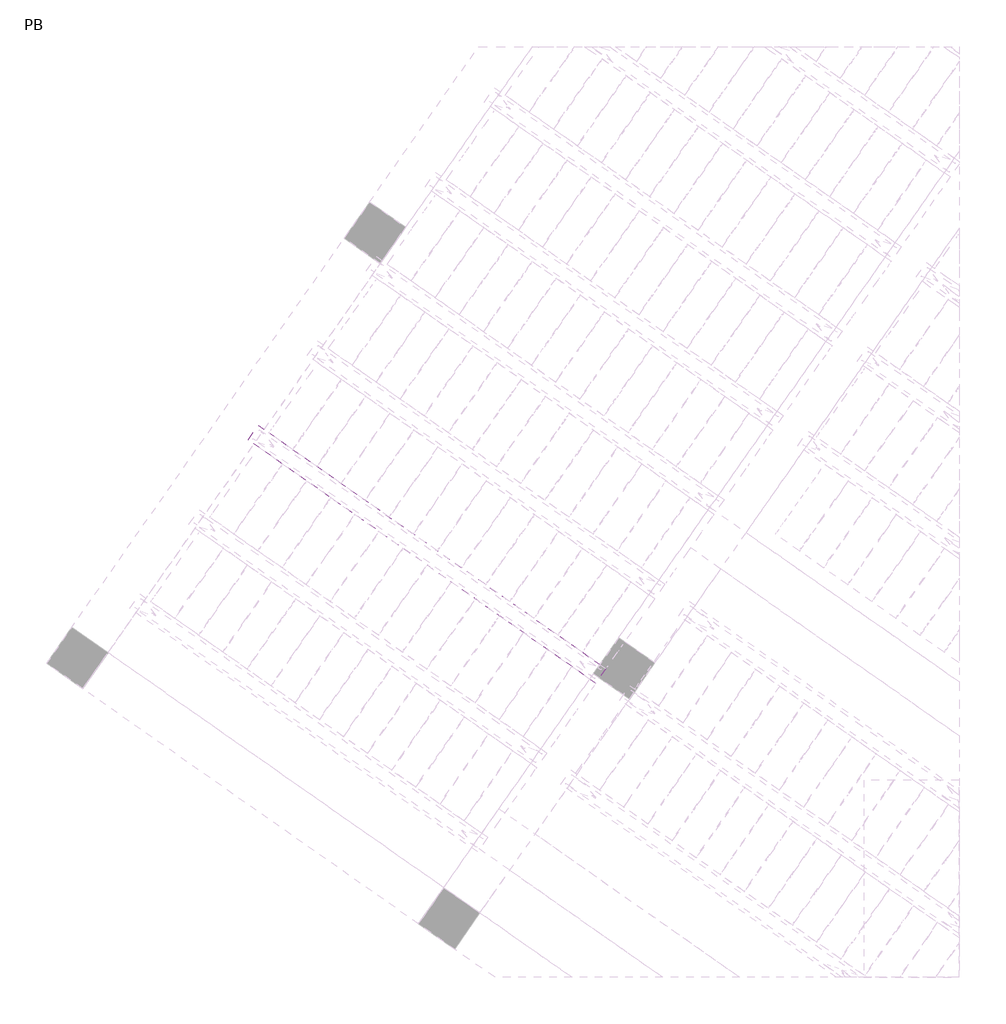
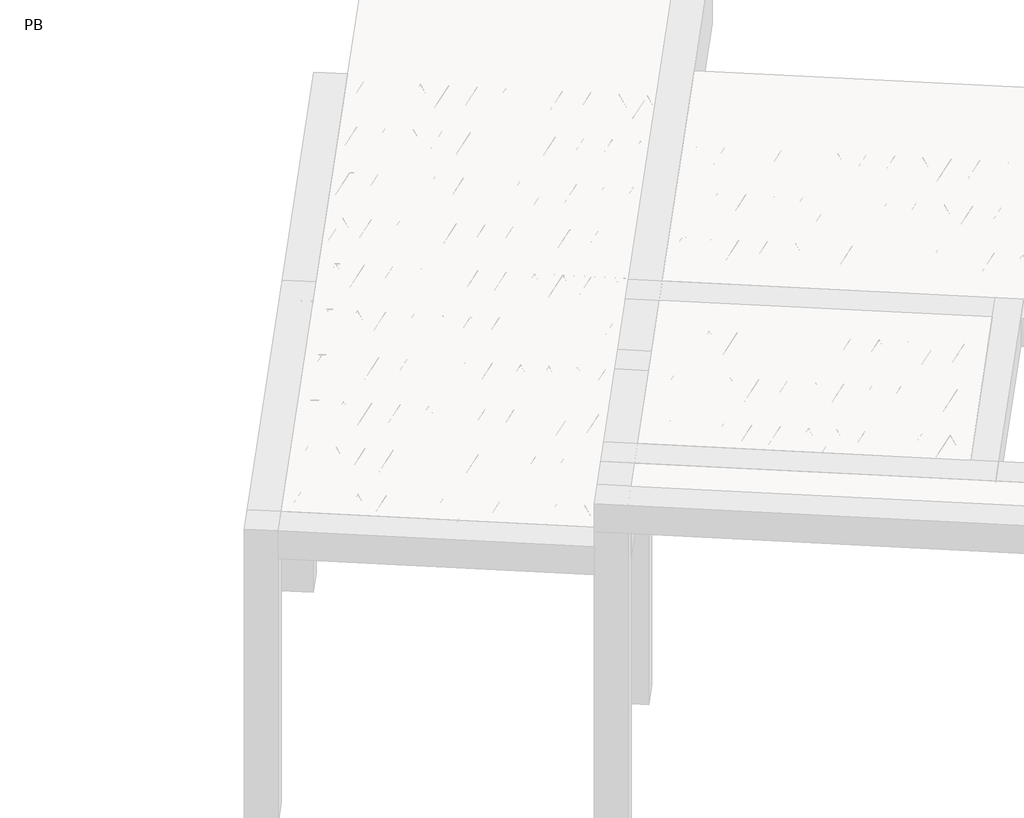
# One storey, part 16 of 56: 2 beams.
"""IFC4 building model written with IfcOpenShell, lengths in millimetres."""

from ifc_helpers import new_model, si_unit, point, frame, origin, origin_2d, place, context, project, spatial, polyline, circle_curve, trimmed, segment, composite_curve, outline, extrude, element, save

model = new_model("IFC4")

# Units and contexts
model_context = context("Model", 3, world=origin())
ifc_project = project(units=[si_unit("LENGTHUNIT", "METRE", prefix="MILLI")], contexts=[model_context])

# Site, building, storey
site = spatial("IfcSite", under=ifc_project)
building = spatial("IfcBuilding", under=site)
storey = spatial("IfcBuildingStorey", under=building, Name="PB", Elevation=95940.0)

# Beams
placement = place(None, origin())
element("IfcBeam", 1, at=placement, inside=storey, context=model_context, shape_type="SweptSolid", body=[
    extrude(outline(polyline([(-411.6127131, 3816.5973913), (-342.7835407, 3914.8956366), (2020.2315773, 2260.294638), (1951.4024049, 2161.9963926), (-411.6127131, 3816.5973913)])), frame((0.0, 0.0, 98760.0), z_axis=(0.0, 0.0, 1.0), x_axis=(1.0, 0.0, 0.0)), (0.0, 0.0, 1.0), 50.0),
    extrude(outline(composite_curve([segment(trimmed(circle_curve(origin_2d(), 2.5), [point((-2.4999999, 0.0))], [point((2.5, 0.0))], False, "CARTESIAN"), True, "CONTINUOUS"), segment(trimmed(circle_curve(origin_2d(), 2.5), [point((2.5, 0.0))], [point((-2.4999999, 0.0))], False, "CARTESIAN"), True, "CONTINUOUS")], self_intersect=False)), frame((1945.5085903, 2195.4218762, 98785.0), z_axis=(-0.8191520442696126, 0.5735764363787226, 0.0), x_axis=(0.5735764363787226, 0.8191520442696126, 0.0)), (0.0, 0.0, 1.0), 2836.708809),
    extrude(outline(composite_curve([segment(trimmed(circle_curve(origin_2d(), 2.5), [point((-2.5, 0.0))], [point((2.5, 0.0))], False, "CARTESIAN"), True, "CONTINUOUS"), segment(trimmed(circle_curve(origin_2d(), 2.5), [point((2.5, 0.0))], [point((-2.5, 0.0))], False, "CARTESIAN"), True, "CONTINUOUS")], self_intersect=False)), frame((1869.2070896, 2292.7966474, 99010.0), z_axis=(-0.8191520442696126, 0.5735764363787226, 0.0), x_axis=(0.5735764363787226, 0.8191520442696126, 0.0)), (0.0, 0.0, 1.0), 2600.0),
    extrude(outline(composite_curve([segment(trimmed(circle_curve(origin_2d(), 2.5), [point((-2.5, 0.0))], [point((2.5, 0.0))], False, "CARTESIAN"), True, "CONTINUOUS"), segment(trimmed(circle_curve(origin_2d(), 2.5), [point((2.5, 0.0))], [point((-2.5, 0.0))], False, "CARTESIAN"), True, "CONTINUOUS")], self_intersect=False)), frame((1909.9947412, 2220.2889411, 98785.0), z_axis=(-0.3145304735701046, 0.38933448886848654, 0.8657304643902053), x_axis=(0.7778747638402499, 0.6284193279813057, 0.0)), (0.0, 0.0, 1.0), 259.8961331),
    extrude(outline(composite_curve([segment(trimmed(circle_curve(origin_2d(), 2.5), [point((2.5, 0.0))], [point((-2.5, 0.0))], False, "CARTESIAN"), True, "CONTINUOUS"), segment(trimmed(circle_curve(origin_2d(), 2.5), [point((-2.5, 0.0))], [point((2.5, 0.0))], False, "CARTESIAN"), True, "CONTINUOUS")], self_intersect=False)), frame((1705.2067301, 2363.6830502, 98785.0), z_axis=(0.47343050384693375, -0.16240172737369005, 0.8657304643902051), x_axis=(-0.3244721671091268, -0.9458952440791246, 0.0)), (0.0, 0.0, 1.0), 259.8961331),
    extrude(outline(composite_curve([segment(trimmed(circle_curve(origin_2d(), 2.5), [point((-2.5, -1e-07))], [point((2.5, 0.0))], False, "CARTESIAN"), True, "CONTINUOUS"), segment(trimmed(circle_curve(origin_2d(), 2.5), [point((2.5, 0.0))], [point((-2.5, -1e-07))], False, "CARTESIAN"), True, "CONTINUOUS")], self_intersect=False)), frame((1705.2067301, 2363.6830502, 98785.0), z_axis=(-0.3145304735701046, 0.38933448886848654, 0.8657304643902053), x_axis=(0.7778747638402499, 0.6284193279813057, 0.0)), (0.0, 0.0, 1.0), 259.8961331),
    extrude(outline(composite_curve([segment(trimmed(circle_curve(origin_2d(), 2.5), [point((2.5, -1e-07))], [point((-2.5, 0.0))], False, "CARTESIAN"), True, "CONTINUOUS"), segment(trimmed(circle_curve(origin_2d(), 2.5), [point((-2.5, 0.0))], [point((2.5, -1e-07))], False, "CARTESIAN"), True, "CONTINUOUS")], self_intersect=False)), frame((1500.4187191, 2507.0771593, 98785.0), z_axis=(0.47343050384693375, -0.16240172737369005, 0.8657304643902051), x_axis=(-0.3244721671091268, -0.9458952440791246, 0.0)), (0.0, 0.0, 1.0), 259.8961331),
    extrude(outline(composite_curve([segment(trimmed(circle_curve(origin_2d(), 2.5), [point((-2.5000001, 0.0))], [point((2.5, 0.0))], False, "CARTESIAN"), True, "CONTINUOUS"), segment(trimmed(circle_curve(origin_2d(), 2.5), [point((2.5, 0.0))], [point((-2.5000001, 0.0))], False, "CARTESIAN"), True, "CONTINUOUS")], self_intersect=False)), frame((1500.4187191, 2507.0771593, 98785.0), z_axis=(-0.3145304735701046, 0.38933448886848654, 0.8657304643902053), x_axis=(0.7778747638402499, 0.6284193279813057, 0.0)), (0.0, 0.0, 1.0), 259.8961331),
    extrude(outline(composite_curve([segment(trimmed(circle_curve(origin_2d(), 2.5), [point((2.5000001, 0.0))], [point((-2.5, 0.0))], False, "CARTESIAN"), True, "CONTINUOUS"), segment(trimmed(circle_curve(origin_2d(), 2.5), [point((-2.5, 0.0))], [point((2.5000001, 0.0))], False, "CARTESIAN"), True, "CONTINUOUS")], self_intersect=False)), frame((1295.630708, 2650.4712684, 98785.0), z_axis=(0.47343050384693375, -0.16240172737369005, 0.8657304643902051), x_axis=(-0.3244721671091268, -0.9458952440791246, 0.0)), (0.0, 0.0, 1.0), 259.8961331),
    extrude(outline(composite_curve([segment(trimmed(circle_curve(origin_2d(), 2.5), [point((-2.5, -1e-07))], [point((2.5, 0.0))], False, "CARTESIAN"), True, "CONTINUOUS"), segment(trimmed(circle_curve(origin_2d(), 2.5), [point((2.5, 0.0))], [point((-2.5, -1e-07))], False, "CARTESIAN"), True, "CONTINUOUS")], self_intersect=False)), frame((1295.630708, 2650.4712684, 98785.0), z_axis=(-0.3145304735701046, 0.38933448886848654, 0.8657304643902053), x_axis=(0.7778747638402499, 0.6284193279813057, 0.0)), (0.0, 0.0, 1.0), 259.8961331),
    extrude(outline(composite_curve([segment(trimmed(circle_curve(origin_2d(), 2.5), [point((2.5000001, 0.0))], [point((-2.5, 0.0))], False, "CARTESIAN"), True, "CONTINUOUS"), segment(trimmed(circle_curve(origin_2d(), 2.5), [point((-2.5, 0.0))], [point((2.5000001, 0.0))], False, "CARTESIAN"), True, "CONTINUOUS")], self_intersect=False)), frame((1090.8426969, 2793.8653775, 98785.0), z_axis=(0.47343050384693375, -0.16240172737369005, 0.8657304643902051), x_axis=(-0.3244721671091268, -0.9458952440791246, 0.0)), (0.0, 0.0, 1.0), 259.8961331),
    extrude(outline(composite_curve([segment(trimmed(circle_curve(origin_2d(), 2.5), [point((-2.5, 0.0))], [point((2.5, 0.0))], False, "CARTESIAN"), True, "CONTINUOUS"), segment(trimmed(circle_curve(origin_2d(), 2.5), [point((2.5, 0.0))], [point((-2.5, 0.0))], False, "CARTESIAN"), True, "CONTINUOUS")], self_intersect=False)), frame((1090.8426966, 2793.8653777, 98785.0), z_axis=(-0.3145304735701046, 0.38933448886848654, 0.8657304643902053), x_axis=(0.7778747638402499, 0.6284193279813057, 0.0)), (0.0, 0.0, 1.0), 259.8961331),
    extrude(outline(composite_curve([segment(trimmed(circle_curve(origin_2d(), 2.5), [point((2.5, 0.0))], [point((-2.5, 0.0))], False, "CARTESIAN"), True, "CONTINUOUS"), segment(trimmed(circle_curve(origin_2d(), 2.5), [point((-2.5, 0.0))], [point((2.5, 0.0))], False, "CARTESIAN"), True, "CONTINUOUS")], self_intersect=False)), frame((886.0546855, 2937.2594868, 98785.0), z_axis=(0.47343050384693375, -0.16240172737369005, 0.8657304643902051), x_axis=(-0.3244721671091268, -0.9458952440791246, 0.0)), (0.0, 0.0, 1.0), 259.8961331),
    extrude(outline(composite_curve([segment(trimmed(circle_curve(origin_2d(), 2.5), [point((-2.5, 0.0))], [point((2.5, 0.0))], False, "CARTESIAN"), True, "CONTINUOUS"), segment(trimmed(circle_curve(origin_2d(), 2.5), [point((2.5, 0.0))], [point((-2.5, 0.0))], False, "CARTESIAN"), True, "CONTINUOUS")], self_intersect=False)), frame((886.0546855, 2937.2594868, 98785.0), z_axis=(-0.3145304735701046, 0.38933448886848654, 0.8657304643902053), x_axis=(0.7778747638402499, 0.6284193279813057, 0.0)), (0.0, 0.0, 1.0), 259.8961331),
    extrude(outline(composite_curve([segment(trimmed(circle_curve(origin_2d(), 2.5), [point((2.5, -1e-07))], [point((-2.5, 0.0))], False, "CARTESIAN"), True, "CONTINUOUS"), segment(trimmed(circle_curve(origin_2d(), 2.5), [point((-2.5, 0.0))], [point((2.5, -1e-07))], False, "CARTESIAN"), True, "CONTINUOUS")], self_intersect=False)), frame((681.2666745, 3080.6535959, 98785.0), z_axis=(0.47343050384693375, -0.16240172737369005, 0.8657304643902051), x_axis=(-0.3244721671091268, -0.9458952440791246, 0.0)), (0.0, 0.0, 1.0), 259.8961331),
    extrude(outline(composite_curve([segment(trimmed(circle_curve(origin_2d(), 2.5), [point((-2.5000001, 1e-07))], [point((2.5, 0.0))], False, "CARTESIAN"), True, "CONTINUOUS"), segment(trimmed(circle_curve(origin_2d(), 2.5), [point((2.5, 0.0))], [point((-2.5000001, 1e-07))], False, "CARTESIAN"), True, "CONTINUOUS")], self_intersect=False)), frame((681.2666745, 3080.6535959, 98785.0), z_axis=(-0.3145304735701046, 0.38933448886848654, 0.8657304643902053), x_axis=(0.7778747638402499, 0.6284193279813057, 0.0)), (0.0, 0.0, 1.0), 259.8961331),
    extrude(outline(composite_curve([segment(trimmed(circle_curve(origin_2d(), 2.5), [point((2.5, 0.0))], [point((-2.5, 0.0))], False, "CARTESIAN"), True, "CONTINUOUS"), segment(trimmed(circle_curve(origin_2d(), 2.5), [point((-2.5, 0.0))], [point((2.5, 0.0))], False, "CARTESIAN"), True, "CONTINUOUS")], self_intersect=False)), frame((476.4786634, 3224.047705, 98785.0), z_axis=(0.47343050384693375, -0.16240172737369005, 0.8657304643902051), x_axis=(-0.3244721671091268, -0.9458952440791246, 0.0)), (0.0, 0.0, 1.0), 259.8961331),
    extrude(outline(composite_curve([segment(trimmed(circle_curve(origin_2d(), 2.5), [point((-2.5, -1e-07))], [point((2.5, 0.0))], False, "CARTESIAN"), True, "CONTINUOUS"), segment(trimmed(circle_curve(origin_2d(), 2.5), [point((2.5, 0.0))], [point((-2.5, -1e-07))], False, "CARTESIAN"), True, "CONTINUOUS")], self_intersect=False)), frame((476.4786634, 3224.047705, 98785.0), z_axis=(-0.3145304735701046, 0.38933448886848654, 0.8657304643902053), x_axis=(0.7778747638402499, 0.6284193279813057, 0.0)), (0.0, 0.0, 1.0), 259.8961331),
    extrude(outline(composite_curve([segment(trimmed(circle_curve(origin_2d(), 2.5), [point((2.5, 0.0))], [point((-2.5, 0.0))], False, "CARTESIAN"), True, "CONTINUOUS"), segment(trimmed(circle_curve(origin_2d(), 2.5), [point((-2.5, 0.0))], [point((2.5, 0.0))], False, "CARTESIAN"), True, "CONTINUOUS")], self_intersect=False)), frame((271.6906523, 3367.4418141, 98785.0), z_axis=(0.47343050384693375, -0.16240172737369005, 0.8657304643902051), x_axis=(-0.3244721671091268, -0.9458952440791246, 0.0)), (0.0, 0.0, 1.0), 259.8961331),
    extrude(outline(composite_curve([segment(trimmed(circle_curve(origin_2d(), 2.5), [point((-2.5, -1e-07))], [point((2.5, 0.0))], False, "CARTESIAN"), True, "CONTINUOUS"), segment(trimmed(circle_curve(origin_2d(), 2.5), [point((2.5, 0.0))], [point((-2.5, -1e-07))], False, "CARTESIAN"), True, "CONTINUOUS")], self_intersect=False)), frame((271.6906523, 3367.4418141, 98785.0), z_axis=(-0.3145304735701046, 0.38933448886848654, 0.8657304643902053), x_axis=(0.7778747638402499, 0.6284193279813057, 0.0)), (0.0, 0.0, 1.0), 259.8961331),
    extrude(outline(composite_curve([segment(trimmed(circle_curve(origin_2d(), 2.5), [point((2.5000001, 0.0))], [point((-2.5, 0.0))], False, "CARTESIAN"), True, "CONTINUOUS"), segment(trimmed(circle_curve(origin_2d(), 2.5), [point((-2.5, 0.0))], [point((2.5000001, 0.0))], False, "CARTESIAN"), True, "CONTINUOUS")], self_intersect=False)), frame((66.9026413, 3510.8359232, 98785.0), z_axis=(0.47343050384693375, -0.16240172737369005, 0.8657304643902051), x_axis=(-0.3244721671091268, -0.9458952440791246, 0.0)), (0.0, 0.0, 1.0), 259.8961331),
    extrude(outline(composite_curve([segment(trimmed(circle_curve(origin_2d(), 2.5), [point((-2.5000001, 0.0))], [point((2.5, 0.0))], False, "CARTESIAN"), True, "CONTINUOUS"), segment(trimmed(circle_curve(origin_2d(), 2.5), [point((2.5, 0.0))], [point((-2.5000001, 0.0))], False, "CARTESIAN"), True, "CONTINUOUS")], self_intersect=False)), frame((66.9026413, 3510.8359232, 98785.0), z_axis=(-0.3145304735701046, 0.38933448886848654, 0.8657304643902053), x_axis=(0.7778747638402499, 0.6284193279813057, 0.0)), (0.0, 0.0, 1.0), 259.8961331),
    extrude(outline(composite_curve([segment(trimmed(circle_curve(origin_2d(), 2.5), [point((2.5, 0.0))], [point((-2.5000001, 0.0))], False, "CARTESIAN"), True, "CONTINUOUS"), segment(trimmed(circle_curve(origin_2d(), 2.5), [point((-2.5000001, 0.0))], [point((2.5, 0.0))], False, "CARTESIAN"), True, "CONTINUOUS")], self_intersect=False)), frame((-137.8853698, 3654.2300322, 98785.0), z_axis=(0.47343050384693375, -0.16240172737369005, 0.8657304643902051), x_axis=(-0.3244721671091268, -0.9458952440791246, 0.0)), (0.0, 0.0, 1.0), 259.8961331),
    extrude(outline(composite_curve([segment(trimmed(circle_curve(origin_2d(), 2.5), [point((-2.5, -1e-07))], [point((2.5, 0.0))], False, "CARTESIAN"), True, "CONTINUOUS"), segment(trimmed(circle_curve(origin_2d(), 2.5), [point((2.5, 0.0))], [point((-2.5, -1e-07))], False, "CARTESIAN"), True, "CONTINUOUS")], self_intersect=False)), frame((-137.8853698, 3654.2300323, 98785.0), z_axis=(-0.3145304735701046, 0.38933448886848654, 0.8657304643902053), x_axis=(0.7778747638402499, 0.6284193279813057, 0.0)), (0.0, 0.0, 1.0), 259.8961331),
    extrude(outline(composite_curve([segment(trimmed(circle_curve(origin_2d(), 2.5), [point((2.5, 0.0))], [point((-2.5000001, 0.0))], False, "CARTESIAN"), True, "CONTINUOUS"), segment(trimmed(circle_curve(origin_2d(), 2.5), [point((-2.5000001, 0.0))], [point((2.5, 0.0))], False, "CARTESIAN"), True, "CONTINUOUS")], self_intersect=False)), frame((-342.6733809, 3797.6241413, 98785.0), z_axis=(0.47343050384693375, -0.16240172737369005, 0.8657304643902051), x_axis=(-0.3244721671091268, -0.9458952440791246, 0.0)), (0.0, 0.0, 1.0), 259.8961331),
    extrude(outline(composite_curve([segment(trimmed(circle_curve(origin_2d(), 2.5), [point((-2.5, 0.0))], [point((2.5, 0.0))], False, "CARTESIAN"), True, "CONTINUOUS"), segment(trimmed(circle_curve(origin_2d(), 2.5), [point((2.5, 0.0))], [point((-2.5, 0.0))], False, "CARTESIAN"), True, "CONTINUOUS")], self_intersect=False)), frame((1986.8060938, 2254.4008234, 98785.0), z_axis=(-0.8191520442696126, 0.5735764363787226, 0.0), x_axis=(0.5735764363787226, 0.8191520442696126, 0.0)), (0.0, 0.0, 1.0), 2836.708809),
    extrude(outline(composite_curve([segment(trimmed(circle_curve(origin_2d(), 2.5), [point((-2.5, 0.0))], [point((2.5, 0.0))], False, "CARTESIAN"), True, "CONTINUOUS"), segment(trimmed(circle_curve(origin_2d(), 2.5), [point((2.5, 0.0))], [point((-2.5, 0.0))], False, "CARTESIAN"), True, "CONTINUOUS")], self_intersect=False)), frame((1951.2922446, 2279.2678883, 98785.0), z_axis=(-0.47343050384693375, 0.16240172737369005, 0.8657304643902051), x_axis=(0.3244721671091268, 0.9458952440791246, 0.0)), (0.0, 0.0, 1.0), 259.8961331),
    extrude(outline(composite_curve([segment(trimmed(circle_curve(origin_2d(), 2.5), [point((2.5, 1e-07))], [point((-2.5000001, 1e-07))], False, "CARTESIAN"), True, "CONTINUOUS"), segment(trimmed(circle_curve(origin_2d(), 2.5), [point((-2.5000001, 1e-07))], [point((2.5, 1e-07))], False, "CARTESIAN"), True, "CONTINUOUS")], self_intersect=False)), frame((1746.5042335, 2422.6619974, 98785.0), z_axis=(0.3145304735701046, -0.38933448886848654, 0.8657304643902053), x_axis=(-0.7778747638402499, -0.6284193279813057, 0.0)), (0.0, 0.0, 1.0), 259.8961331),
    extrude(outline(composite_curve([segment(trimmed(circle_curve(origin_2d(), 2.5), [point((-2.5000001, 0.0))], [point((2.5, -1e-07))], False, "CARTESIAN"), True, "CONTINUOUS"), segment(trimmed(circle_curve(origin_2d(), 2.5), [point((2.5, -1e-07))], [point((-2.5000001, 0.0))], False, "CARTESIAN"), True, "CONTINUOUS")], self_intersect=False)), frame((1746.5042335, 2422.6619974, 98785.0), z_axis=(-0.47343050384693375, 0.16240172737369005, 0.8657304643902051), x_axis=(0.3244721671091268, 0.9458952440791246, 0.0)), (0.0, 0.0, 1.0), 259.8961331),
    extrude(outline(composite_curve([segment(trimmed(circle_curve(origin_2d(), 2.5), [point((2.5, 0.0))], [point((-2.5, -1e-07))], False, "CARTESIAN"), True, "CONTINUOUS"), segment(trimmed(circle_curve(origin_2d(), 2.5), [point((-2.5, -1e-07))], [point((2.5, 0.0))], False, "CARTESIAN"), True, "CONTINUOUS")], self_intersect=False)), frame((1541.7162225, 2566.0561064, 98785.0), z_axis=(0.3145304735701046, -0.38933448886848654, 0.8657304643902053), x_axis=(-0.7778747638402499, -0.6284193279813057, 0.0)), (0.0, 0.0, 1.0), 259.8961331),
    extrude(outline(composite_curve([segment(trimmed(circle_curve(origin_2d(), 2.5), [point((-2.5000001, 0.0))], [point((2.5, 0.0))], False, "CARTESIAN"), True, "CONTINUOUS"), segment(trimmed(circle_curve(origin_2d(), 2.5), [point((2.5, 0.0))], [point((-2.5000001, 0.0))], False, "CARTESIAN"), True, "CONTINUOUS")], self_intersect=False)), frame((1541.7162225, 2566.0561065, 98785.0), z_axis=(-0.47343050384693375, 0.16240172737369005, 0.8657304643902051), x_axis=(0.3244721671091268, 0.9458952440791246, 0.0)), (0.0, 0.0, 1.0), 259.8961331),
    extrude(outline(composite_curve([segment(trimmed(circle_curve(origin_2d(), 2.5), [point((2.5, 0.0))], [point((-2.5, -1e-07))], False, "CARTESIAN"), True, "CONTINUOUS"), segment(trimmed(circle_curve(origin_2d(), 2.5), [point((-2.5, -1e-07))], [point((2.5, 0.0))], False, "CARTESIAN"), True, "CONTINUOUS")], self_intersect=False)), frame((1336.9282114, 2709.4502155, 98785.0), z_axis=(0.3145304735701046, -0.38933448886848654, 0.8657304643902053), x_axis=(-0.7778747638402499, -0.6284193279813057, 0.0)), (0.0, 0.0, 1.0), 259.8961331),
    extrude(outline(composite_curve([segment(trimmed(circle_curve(origin_2d(), 2.5), [point((-2.5, 0.0))], [point((2.5000001, 0.0))], False, "CARTESIAN"), True, "CONTINUOUS"), segment(trimmed(circle_curve(origin_2d(), 2.5), [point((2.5000001, 0.0))], [point((-2.5, 0.0))], False, "CARTESIAN"), True, "CONTINUOUS")], self_intersect=False)), frame((1336.9282114, 2709.4502155, 98785.0), z_axis=(-0.47343050384693375, 0.16240172737369005, 0.8657304643902051), x_axis=(0.3244721671091268, 0.9458952440791246, 0.0)), (0.0, 0.0, 1.0), 259.8961331),
    extrude(outline(composite_curve([segment(trimmed(circle_curve(origin_2d(), 2.5), [point((2.5, 0.0))], [point((-2.5, -1e-07))], False, "CARTESIAN"), True, "CONTINUOUS"), segment(trimmed(circle_curve(origin_2d(), 2.5), [point((-2.5, -1e-07))], [point((2.5, 0.0))], False, "CARTESIAN"), True, "CONTINUOUS")], self_intersect=False)), frame((1132.1402003, 2852.8443246, 98785.0), z_axis=(0.3145304735701046, -0.38933448886848654, 0.8657304643902053), x_axis=(-0.7778747638402499, -0.6284193279813057, 0.0)), (0.0, 0.0, 1.0), 259.8961331),
    extrude(outline(composite_curve([segment(trimmed(circle_curve(origin_2d(), 2.5), [point((-2.5, 0.0))], [point((2.5, 0.0))], False, "CARTESIAN"), True, "CONTINUOUS"), segment(trimmed(circle_curve(origin_2d(), 2.5), [point((2.5, 0.0))], [point((-2.5, 0.0))], False, "CARTESIAN"), True, "CONTINUOUS")], self_intersect=False)), frame((1132.1402, 2852.8443249, 98785.0), z_axis=(-0.47343050384693375, 0.16240172737369005, 0.8657304643902051), x_axis=(0.3244721671091268, 0.9458952440791246, 0.0)), (0.0, 0.0, 1.0), 259.8961331),
    extrude(outline(composite_curve([segment(trimmed(circle_curve(origin_2d(), 2.5), [point((2.5, 1e-07))], [point((-2.5000001, 1e-07))], False, "CARTESIAN"), True, "CONTINUOUS"), segment(trimmed(circle_curve(origin_2d(), 2.5), [point((-2.5000001, 1e-07))], [point((2.5, 1e-07))], False, "CARTESIAN"), True, "CONTINUOUS")], self_intersect=False)), frame((927.3521889, 2996.238434, 98785.0), z_axis=(0.3145304735701046, -0.38933448886848654, 0.8657304643902053), x_axis=(-0.7778747638402499, -0.6284193279813057, 0.0)), (0.0, 0.0, 1.0), 259.8961331),
    extrude(outline(composite_curve([segment(trimmed(circle_curve(origin_2d(), 2.5), [point((-2.5, 0.0))], [point((2.5, -1e-07))], False, "CARTESIAN"), True, "CONTINUOUS"), segment(trimmed(circle_curve(origin_2d(), 2.5), [point((2.5, -1e-07))], [point((-2.5, 0.0))], False, "CARTESIAN"), True, "CONTINUOUS")], self_intersect=False)), frame((927.3521889, 2996.238434, 98785.0), z_axis=(-0.47343050384693375, 0.16240172737369005, 0.8657304643902051), x_axis=(0.3244721671091268, 0.9458952440791246, 0.0)), (0.0, 0.0, 1.0), 259.8961331),
    extrude(outline(composite_curve([segment(trimmed(circle_curve(origin_2d(), 2.5), [point((2.5, 1e-07))], [point((-2.5, 0.0))], False, "CARTESIAN"), True, "CONTINUOUS"), segment(trimmed(circle_curve(origin_2d(), 2.5), [point((-2.5, 0.0))], [point((2.5, 1e-07))], False, "CARTESIAN"), True, "CONTINUOUS")], self_intersect=False)), frame((722.5641779, 3139.6325431, 98785.0), z_axis=(0.3145304735701046, -0.38933448886848654, 0.8657304643902053), x_axis=(-0.7778747638402499, -0.6284193279813057, 0.0)), (0.0, 0.0, 1.0), 259.8961331),
    extrude(outline(composite_curve([segment(trimmed(circle_curve(origin_2d(), 2.5), [point((-2.5000001, 0.0))], [point((2.5, 0.0))], False, "CARTESIAN"), True, "CONTINUOUS"), segment(trimmed(circle_curve(origin_2d(), 2.5), [point((2.5, 0.0))], [point((-2.5000001, 0.0))], False, "CARTESIAN"), True, "CONTINUOUS")], self_intersect=False)), frame((722.5641779, 3139.6325431, 98785.0), z_axis=(-0.47343050384693375, 0.16240172737369005, 0.8657304643902051), x_axis=(0.3244721671091268, 0.9458952440791246, 0.0)), (0.0, 0.0, 1.0), 259.8961331),
    extrude(outline(composite_curve([segment(trimmed(circle_curve(origin_2d(), 2.5), [point((2.5, 1e-07))], [point((-2.5, 0.0))], False, "CARTESIAN"), True, "CONTINUOUS"), segment(trimmed(circle_curve(origin_2d(), 2.5), [point((-2.5, 0.0))], [point((2.5, 1e-07))], False, "CARTESIAN"), True, "CONTINUOUS")], self_intersect=False)), frame((517.7761668, 3283.0266522, 98785.0), z_axis=(0.3145304735701046, -0.38933448886848654, 0.8657304643902053), x_axis=(-0.7778747638402499, -0.6284193279813057, 0.0)), (0.0, 0.0, 1.0), 259.8961331),
    extrude(outline(composite_curve([segment(trimmed(circle_curve(origin_2d(), 2.5), [point((-2.5000001, 0.0))], [point((2.5, 0.0))], False, "CARTESIAN"), True, "CONTINUOUS"), segment(trimmed(circle_curve(origin_2d(), 2.5), [point((2.5, 0.0))], [point((-2.5000001, 0.0))], False, "CARTESIAN"), True, "CONTINUOUS")], self_intersect=False)), frame((517.7761668, 3283.0266522, 98785.0), z_axis=(-0.47343050384693375, 0.16240172737369005, 0.8657304643902051), x_axis=(0.3244721671091268, 0.9458952440791246, 0.0)), (0.0, 0.0, 1.0), 259.8961331),
    extrude(outline(composite_curve([segment(trimmed(circle_curve(origin_2d(), 2.5), [point((2.5, 0.0))], [point((-2.5000001, 0.0))], False, "CARTESIAN"), True, "CONTINUOUS"), segment(trimmed(circle_curve(origin_2d(), 2.5), [point((-2.5000001, 0.0))], [point((2.5, 0.0))], False, "CARTESIAN"), True, "CONTINUOUS")], self_intersect=False)), frame((312.9881557, 3426.4207612, 98785.0), z_axis=(0.3145304735701046, -0.38933448886848654, 0.8657304643902053), x_axis=(-0.7778747638402499, -0.6284193279813057, 0.0)), (0.0, 0.0, 1.0), 259.8961331),
    extrude(outline(composite_curve([segment(trimmed(circle_curve(origin_2d(), 2.5), [point((-2.5, 0.0))], [point((2.5000001, 0.0))], False, "CARTESIAN"), True, "CONTINUOUS"), segment(trimmed(circle_curve(origin_2d(), 2.5), [point((2.5000001, 0.0))], [point((-2.5, 0.0))], False, "CARTESIAN"), True, "CONTINUOUS")], self_intersect=False)), frame((312.9881557, 3426.4207612, 98785.0), z_axis=(-0.47343050384693375, 0.16240172737369005, 0.8657304643902051), x_axis=(0.3244721671091268, 0.9458952440791246, 0.0)), (0.0, 0.0, 1.0), 259.8961331),
    extrude(outline(composite_curve([segment(trimmed(circle_curve(origin_2d(), 2.5), [point((2.5, 0.0))], [point((-2.5, -1e-07))], False, "CARTESIAN"), True, "CONTINUOUS"), segment(trimmed(circle_curve(origin_2d(), 2.5), [point((-2.5, -1e-07))], [point((2.5, 0.0))], False, "CARTESIAN"), True, "CONTINUOUS")], self_intersect=False)), frame((108.2001447, 3569.8148703, 98785.0), z_axis=(0.3145304735701046, -0.38933448886848654, 0.8657304643902053), x_axis=(-0.7778747638402499, -0.6284193279813057, 0.0)), (0.0, 0.0, 1.0), 259.8961331),
    extrude(outline(composite_curve([segment(trimmed(circle_curve(origin_2d(), 2.5), [point((-2.5, 0.0))], [point((2.5000001, 0.0))], False, "CARTESIAN"), True, "CONTINUOUS"), segment(trimmed(circle_curve(origin_2d(), 2.5), [point((2.5000001, 0.0))], [point((-2.5, 0.0))], False, "CARTESIAN"), True, "CONTINUOUS")], self_intersect=False)), frame((108.2001447, 3569.8148703, 98785.0), z_axis=(-0.47343050384693375, 0.16240172737369005, 0.8657304643902051), x_axis=(0.3244721671091268, 0.9458952440791246, 0.0)), (0.0, 0.0, 1.0), 259.8961331),
    extrude(outline(composite_curve([segment(trimmed(circle_curve(origin_2d(), 2.5), [point((2.5, 0.0))], [point((-2.5, -1e-07))], False, "CARTESIAN"), True, "CONTINUOUS"), segment(trimmed(circle_curve(origin_2d(), 2.5), [point((-2.5, -1e-07))], [point((2.5, 0.0))], False, "CARTESIAN"), True, "CONTINUOUS")], self_intersect=False)), frame((-96.5878664, 3713.2089794, 98785.0), z_axis=(0.3145304735701046, -0.38933448886848654, 0.8657304643902053), x_axis=(-0.7778747638402499, -0.6284193279813057, 0.0)), (0.0, 0.0, 1.0), 259.8961331),
    extrude(outline(composite_curve([segment(trimmed(circle_curve(origin_2d(), 2.5), [point((-2.5, 0.0))], [point((2.5, 0.0))], False, "CARTESIAN"), True, "CONTINUOUS"), segment(trimmed(circle_curve(origin_2d(), 2.5), [point((2.5, 0.0))], [point((-2.5, 0.0))], False, "CARTESIAN"), True, "CONTINUOUS")], self_intersect=False)), frame((-96.5878664, 3713.2089794, 98785.0), z_axis=(-0.47343050384693375, 0.16240172737369005, 0.8657304643902051), x_axis=(0.3244721671091268, 0.9458952440791246, 0.0)), (0.0, 0.0, 1.0), 259.8961331),
    extrude(outline(composite_curve([segment(trimmed(circle_curve(origin_2d(), 2.5), [point((2.5, 0.0))], [point((-2.5, -1e-07))], False, "CARTESIAN"), True, "CONTINUOUS"), segment(trimmed(circle_curve(origin_2d(), 2.5), [point((-2.5, -1e-07))], [point((2.5, 0.0))], False, "CARTESIAN"), True, "CONTINUOUS")], self_intersect=False)), frame((-301.3758775, 3856.6030885, 98785.0), z_axis=(0.3145304735701046, -0.38933448886848654, 0.8657304643902053), x_axis=(-0.7778747638402499, -0.6284193279813057, 0.0)), (0.0, 0.0, 1.0), 259.8961331),
])
element("IfcBeam", 2, at=placement, inside=storey, context=model_context, shape_type="SweptSolid", body=[
    extrude(outline(polyline([(-10.0803251, 4389.9835986), (58.7488472, 4488.2818439), (2421.7350828, 2833.7010689), (2352.9059104, 2735.4028236), (-10.0803251, 4389.9835986)])), frame((0.0, 0.0, 98760.0), z_axis=(0.0, 0.0, 1.0), x_axis=(1.0, 0.0, 0.0)), (0.0, 0.0, 1.0), 50.0),
])

save(model, "model.ifc")
